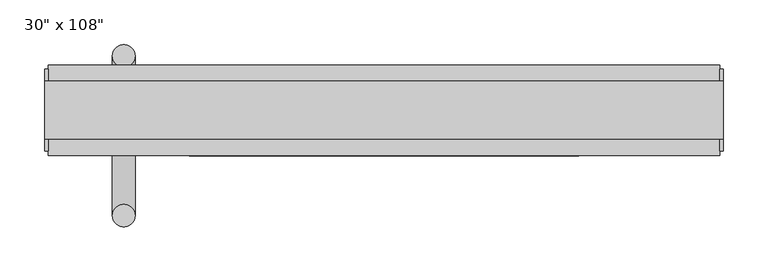
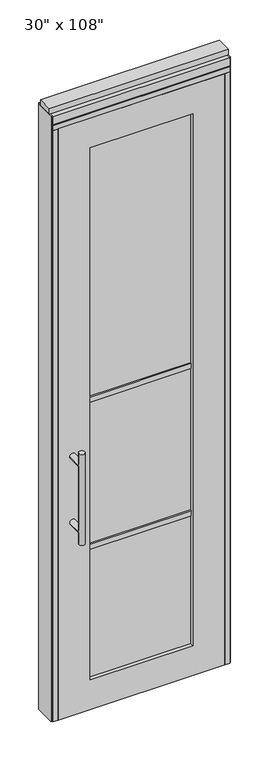
"""IFC4 building model written with IfcOpenShell, lengths in millimetres: furniture geometry."""

from ifc_helpers import new_model, si_unit, frame, origin, origin_with_axes, place, context, project, spatial, polyline, circle_curve, ellipse_curve, outline, extrude, source, transform, mapped, element, save
from ifc_brep_helpers import plane_surface, cylinder_surface, advanced_brep


def furniture_3b7dbc32(model_context):
    return source(origin(), model_context, "Body", "SolidModel", [
        advanced_brep(
        [(-364.8365229, 56.6962784, 1219.2), (-339.4365229, 56.6962784, 1219.2), (-364.8365229, 56.6962784, 812.8), (-339.4365229, 56.6962784, 812.8), (-339.4365229, 56.6962784, 1164.336), (-339.4365229, 56.6962784, 867.664), (-364.8365229, 56.6962784, 867.664), (-364.8365229, 56.6962784, 1164.336), (-364.8365229, -10.8677216, 1164.336), (-339.4365229, -10.8677216, 1164.336), (-364.8365229, -10.8677216, 867.664), (-339.4365229, -10.8677216, 867.664)],
        [
            (0, 1, circle_curve(frame((-352.1365229, 56.6962784, 1219.2), z_axis=(0.0, 0.0, 1.0), x_axis=(1.0, 0.0, 0.0)), 12.7)),
            (1, 0, circle_curve(frame((-352.1365229, 56.6962784, 1219.2), z_axis=(0.0, 0.0, 1.0), x_axis=(1.0, 0.0, 0.0)), 12.7)),
            (2, 3, circle_curve(frame((-352.1365229, 56.6962784, 812.8), z_axis=(0.0, 0.0, -1.0), x_axis=(1.0, 0.0, 0.0)), 12.7)),
            (3, 2, circle_curve(frame((-352.1365229, 56.6962784, 812.8), z_axis=(0.0, 0.0, -1.0), x_axis=(1.0, 0.0, 0.0)), 12.7)),
            (1, 4),
            (4, 5),
            (5, 3),
            (2, 6),
            (6, 7),
            (7, 0),
            (6, 5, ellipse_curve(frame((-352.1365229, 56.6962784, 867.664), z_axis=(0.0, 0.707106781186565, 0.70710678118653), x_axis=(0.0, -0.70710678118653, 0.707106781186565)), 17.9605122, 12.7)),
            (4, 7, ellipse_curve(frame((-352.1365229, 56.6962784, 1164.336), z_axis=(0.0, 0.70710678118653, -0.7071067811865649), x_axis=(0.0, 0.7071067811865648, 0.7071067811865301)), 17.9605122, 12.7)),
            (7, 4, ellipse_curve(frame((-352.1365229, 56.6962784, 1164.336), z_axis=(0.0, 0.707106781186565, 0.70710678118653), x_axis=(0.0, -0.70710678118653, 0.707106781186565)), 17.9605122, 12.7)),
            (5, 6, ellipse_curve(frame((-352.1365229, 56.6962784, 867.664), z_axis=(0.0, 0.70710678118653, -0.7071067811865649), x_axis=(0.0, 0.7071067811865648, 0.7071067811865301)), 17.9605122, 12.7)),
            (8, 9, circle_curve(frame((-352.1365229, -10.8677216, 1164.336), z_axis=(0.0, -1.0, 0.0), x_axis=(1.0, 0.0, 0.0)), 12.7)),
            (9, 8, circle_curve(frame((-352.1365229, -10.8677216, 1164.336), z_axis=(0.0, -1.0, 0.0), x_axis=(1.0, 0.0, 0.0)), 12.7)),
            (8, 7),
            (4, 9),
            (10, 11, circle_curve(frame((-352.1365229, -10.8677216, 867.664), z_axis=(0.0, -1.0, 0.0), x_axis=(1.0, 0.0, 0.0)), 12.7)),
            (11, 10, circle_curve(frame((-352.1365229, -10.8677216, 867.664), z_axis=(0.0, -1.0, 0.0), x_axis=(1.0, 0.0, 0.0)), 12.7)),
            (10, 6),
            (5, 11),
        ],
        [
            plane_surface(frame((-339.4365229, 56.6962784, 1219.2), z_axis=(0.0, 0.0, 1.0), x_axis=(0.0, -1.0, 0.0))),
            plane_surface(frame((-339.4365229, 56.6962784, 812.8), z_axis=(0.0, 0.0, -1.0), x_axis=(0.0, 1.0, 0.0))),
            cylinder_surface(frame((-352.1365229, 56.6962784, 812.8), z_axis=(0.0, 0.0, 1.0), x_axis=(1.0, 0.0, 0.0)), 12.7),
            plane_surface(frame((-339.4365229, -10.8677216, 1164.336), z_axis=(0.0, -1.0, 0.0), x_axis=(0.0, 0.0, -1.0))),
            cylinder_surface(frame((-352.1365229, -10.8677216, 1164.336), z_axis=(0.0, 1.0, 0.0), x_axis=(1.0, 0.0, 0.0)), 12.7),
            plane_surface(frame((-339.4365229, -10.8677216, 867.664), z_axis=(0.0, -1.0, 0.0), x_axis=(0.0, 0.0, -1.0))),
            cylinder_surface(frame((-352.1365229, -10.8677216, 867.664), z_axis=(0.0, 1.0, 0.0), x_axis=(1.0, 0.0, 0.0)), 12.7),
        ],
        [
            (0, [[1, 2]]),
            (1, [[3, 4]]),
            (2, [[5, 6, 7, -3, 8, 9, 10, -2]]),
            (2, [[-9, 11, -6, 12]]),
            (2, [[-10, 13, -5, -1]]),
            (2, [[-7, 14, -8, -4]]),
            (3, [[15, 16]]),
            (4, [[17, -12, 18, -15]]),
            (4, [[-18, -13, -17, -16]]),
            (5, [[19, 20]]),
            (6, [[21, -14, 22, -19]]),
            (6, [[-22, -11, -21, -20]]),
        ],
    ),
        advanced_brep(
        [(-364.8365229, -122.8817216, 1219.2), (-339.4365229, -122.8817216, 1219.2), (-364.8365229, -122.8817216, 812.8), (-339.4365229, -122.8817216, 812.8), (-364.8365229, -122.8817216, 1164.336), (-364.8365229, -122.8817216, 867.664), (-339.4365229, -122.8817216, 867.664), (-339.4365229, -122.8817216, 1164.336), (-364.8365229, -55.3177216, 1164.336), (-339.4365229, -55.3177216, 1164.336), (-364.8365229, -55.3177216, 867.664), (-339.4365229, -55.3177216, 867.664)],
        [
            (0, 1, circle_curve(frame((-352.1365229, -122.8817216, 1219.2), z_axis=(0.0, 0.0, 1.0), x_axis=(1.0, 0.0, 0.0)), 12.7)),
            (1, 0, circle_curve(frame((-352.1365229, -122.8817216, 1219.2), z_axis=(0.0, 0.0, 1.0), x_axis=(1.0, 0.0, 0.0)), 12.7)),
            (2, 3, circle_curve(frame((-352.1365229, -122.8817216, 812.8), z_axis=(0.0, 0.0, -1.0), x_axis=(1.0, 0.0, 0.0)), 12.7)),
            (3, 2, circle_curve(frame((-352.1365229, -122.8817216, 812.8), z_axis=(0.0, 0.0, -1.0), x_axis=(1.0, 0.0, 0.0)), 12.7)),
            (0, 4),
            (4, 5),
            (5, 2),
            (3, 6),
            (6, 7),
            (7, 1),
            (7, 4, ellipse_curve(frame((-352.1365229, -122.8817216, 1164.336), z_axis=(0.0, -0.707106781186565, 0.70710678118653), x_axis=(0.0, 0.70710678118653, 0.707106781186565)), 17.9605122, 12.7)),
            (5, 6, ellipse_curve(frame((-352.1365229, -122.8817216, 867.664), z_axis=(0.0, -0.70710678118653, -0.7071067811865649), x_axis=(0.0, -0.7071067811865648, 0.7071067811865301)), 17.9605122, 12.7)),
            (4, 7, ellipse_curve(frame((-352.1365229, -122.8817216, 1164.336), z_axis=(0.0, -0.70710678118653, -0.7071067811865649), x_axis=(0.0, -0.7071067811865648, 0.7071067811865301)), 17.9605122, 12.7)),
            (6, 5, ellipse_curve(frame((-352.1365229, -122.8817216, 867.664), z_axis=(0.0, -0.707106781186565, 0.70710678118653), x_axis=(0.0, 0.70710678118653, 0.707106781186565)), 17.9605122, 12.7)),
            (8, 9, circle_curve(frame((-352.1365229, -55.3177216, 1164.336), z_axis=(0.0, 1.0, 0.0), x_axis=(1.0, 0.0, 0.0)), 12.7)),
            (9, 8, circle_curve(frame((-352.1365229, -55.3177216, 1164.336), z_axis=(0.0, 1.0, 0.0), x_axis=(1.0, 0.0, 0.0)), 12.7)),
            (9, 7),
            (4, 8),
            (10, 11, circle_curve(frame((-352.1365229, -55.3177216, 867.664), z_axis=(0.0, 1.0, 0.0), x_axis=(1.0, 0.0, 0.0)), 12.7)),
            (11, 10, circle_curve(frame((-352.1365229, -55.3177216, 867.664), z_axis=(0.0, 1.0, 0.0), x_axis=(1.0, 0.0, 0.0)), 12.7)),
            (11, 6),
            (5, 10),
        ],
        [
            plane_surface(frame((-339.4365229, -122.8817216, 1219.2), z_axis=(0.0, 0.0, 1.0), x_axis=(0.0, 1.0, 0.0))),
            plane_surface(frame((-339.4365229, -122.8817216, 812.8), z_axis=(0.0, 0.0, -1.0), x_axis=(0.0, -1.0, 0.0))),
            cylinder_surface(frame((-352.1365229, -122.8817216, 812.8), z_axis=(0.0, 0.0, 1.0), x_axis=(1.0, 0.0, 0.0)), 12.7),
            plane_surface(frame((-339.4365229, -55.3177216, 1164.336), z_axis=(0.0, 1.0, 0.0), x_axis=(0.0, 0.0, -1.0))),
            cylinder_surface(frame((-352.1365229, -55.3177216, 1164.336), z_axis=(0.0, -1.0, 0.0), x_axis=(1.0, 0.0, 0.0)), 12.7),
            plane_surface(frame((-339.4365229, -55.3177216, 867.664), z_axis=(0.0, 1.0, 0.0), x_axis=(0.0, 0.0, -1.0))),
            cylinder_surface(frame((-352.1365229, -55.3177216, 867.664), z_axis=(0.0, -1.0, 0.0), x_axis=(1.0, 0.0, 0.0)), 12.7),
        ],
        [
            (0, [[1, 2]]),
            (1, [[3, 4]]),
            (2, [[-1, 5, 6, 7, -4, 8, 9, 10]]),
            (2, [[-2, -10, 11, -5]]),
            (2, [[-3, -7, 12, -8]]),
            (2, [[13, -9, 14, -6]]),
            (3, [[15, 16]]),
            (4, [[-16, 17, -13, 18]]),
            (4, [[-15, -18, -11, -17]]),
            (5, [[19, 20]]),
            (6, [[-20, 21, -12, 22]]),
            (6, [[-19, -22, -14, -21]]),
        ],
    ),
        extrude(outline(polyline([(-278.8575229, -44.2052216), (-278.8575229, -21.9802216), (158.7844771, -21.9802216), (158.7844771, -44.2052216), (-278.8575229, -44.2052216)])), frame((0.0, 0.0, 1371.6), z_axis=(0.0, 0.0, 1.0), x_axis=(1.0, 0.0, 0.0)), (0.0, 0.0, 1.0), 22.225),
        extrude(outline(polyline([(-278.8575229, -44.2052216), (-278.8575229, -21.9802216), (158.7844771, -21.9802216), (158.7844771, -44.2052216), (-278.8575229, -44.2052216)])), frame((0.0, 0.0, 711.2), z_axis=(0.0, 0.0, 1.0), x_axis=(1.0, 0.0, 0.0)), (0.0, 0.0, 1.0), 22.225),
        extrude(outline(polyline([(158.7844771, -38.1727216), (-278.8575229, -38.1727216), (-278.8575229, -28.0127216), (158.7844771, -28.0127216), (158.7844771, -38.1727216)])), frame((0.0, 0.0, 132.969), z_axis=(0.0, 0.0, 1.0), x_axis=(1.0, 0.0, 0.0)), (0.0, 0.0, 1.0), 2388.362),
        extrude(outline(polyline([(2654.3, 294.8014771), (2654.3, -414.8745229), (0.0, -414.8745229), (0.0, 294.8014771), (2654.3, 294.8014771)]), holes=[polyline([(2521.331, 158.7844771), (132.969, 158.7844771), (132.969, -278.8575229), (2521.331, -278.8575229), (2521.331, 158.7844771)])]), frame((0.0, -55.3177216, 0.0), z_axis=(0.0, 1.0, 0.0), x_axis=(0.0, 0.0, 1.0)), (0.0, 0.0, 1.0), 44.45),
        extrude(outline(polyline([(-437.0995229, -55.3177216), (-437.0995229, 46.2822784), (317.0264771, 46.2822784), (317.0264771, -55.3177216), (-437.0995229, -55.3177216)])), frame((0.0, 0.0, 2654.3), z_axis=(0.0, 0.0, 1.0), x_axis=(1.0, 0.0, 0.0)), (0.0, 0.0, 1.0), 22.225),
        extrude(outline(polyline([(320.9634771, -50.3647216), (317.0264771, -50.3647216), (317.0264771, 41.3292784), (320.9634771, 41.3292784), (320.9634771, -50.3647216)])), origin_with_axes(), (0.0, 0.0, 1.0), 2717.8),
        extrude(outline(polyline([(-441.0365229, -50.3647216), (-441.0365229, 41.3292784), (-437.0995229, 41.3292784), (-437.0995229, -50.3647216), (-441.0365229, -50.3647216)])), origin_with_axes(), (0.0, 0.0, 1.0), 2717.8),
        extrude(outline(polyline([(294.8014771, -55.3177216), (294.8014771, 46.2822784), (317.0264771, 46.2822784), (317.0264771, -55.3177216), (294.8014771, -55.3177216)])), origin_with_axes(), (0.0, 0.0, 1.0), 2654.3),
        extrude(outline(polyline([(-414.8745229, -55.3177216), (-437.0995229, -55.3177216), (-437.0995229, 46.2822784), (-414.8745229, 46.2822784), (-414.8745229, -55.3177216)])), origin_with_axes(), (0.0, 0.0, 1.0), 2654.3),
        extrude(outline(polyline([(-55.3177216, 2681.478), (-55.3177216, 2717.8), (46.2822784, 2717.8), (46.2822784, 2681.478), (41.3292784, 2681.478), (41.3292784, 2676.525), (-50.3647216, 2676.525), (-50.3647216, 2681.478), (-55.3177216, 2681.478)])), frame((-437.0995229, 0.0, 0.0), z_axis=(1.0, 0.0, 0.0), x_axis=(0.0, 1.0, 0.0)), (0.0, 0.0, 1.0), 754.126),
        extrude(outline(polyline([(-441.0365229, -37.0297216), (-441.0365229, 27.9942784), (320.9634771, 27.9942784), (320.9634771, -37.0297216), (-441.0365229, -37.0297216)])), frame((0.0, 0.0, 2717.8), z_axis=(0.0, 0.0, 1.0), x_axis=(1.0, 0.0, 0.0)), (0.0, 0.0, 1.0), 25.4),
    ])


if __name__ == "__main__":
    model = new_model("IFC4")
    model_context = context("Model", 3, world=origin())
    ifc_project = project(units=[si_unit("LENGTHUNIT", "METRE", prefix="MILLI")], contexts=[model_context])
    site = spatial("IfcSite", under=ifc_project)
    building = spatial("IfcBuilding", under=site)
    placement = place(None, origin())
    furniture_shape = furniture_3b7dbc32(model_context)
    element("IfcFurniture", 1, ObjectType="30\" x 108\"", at=placement, inside=building, context=model_context, shape_type="MappedRepresentation", body=[
        mapped(furniture_shape, transform((0.0, 0.0, 0.0), x_axis=(1.0, 0.0, 0.0), y_axis=(0.0, 1.0, 0.0), z_axis=(0.0, 0.0, 1.0))),
    ])
    save(model, "model.ifc")
